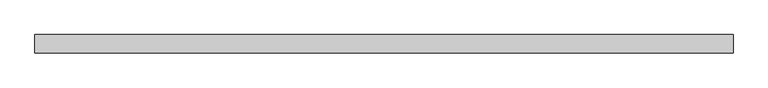
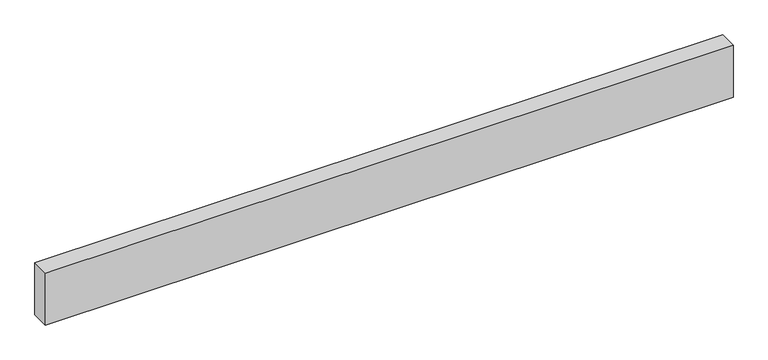
"""IFC4 building model written with IfcOpenShell, lengths in millimetres: proxy geometry."""

from ifc_helpers import new_model, si_unit, origin, origin_with_axes, place, context, project, spatial, polyline, outline, extrude, source, transform, mapped, element, save


def generic_models_d1bfbe83(model_context):
    return source(origin(), model_context, "Body", "SweptSolid", [
        extrude(outline(polyline([(3756.9821934, 0.0), (3756.9821934, -100.0), (0.0, -100.0), (0.0, 0.0), (3756.9821934, 0.0)])), origin_with_axes(), (0.0, 0.0, 1.0), 300.0),
    ])


if __name__ == "__main__":
    model = new_model("IFC4")
    model_context = context("Model", 3, world=origin())
    ifc_project = project(units=[si_unit("LENGTHUNIT", "METRE", prefix="MILLI")], contexts=[model_context])
    site = spatial("IfcSite", under=ifc_project)
    building = spatial("IfcBuilding", under=site)
    placement = place(None, origin())
    generic_models_shape = generic_models_d1bfbe83(model_context)
    element("IfcBuildingElementProxy", 1, Name="Generic Models", at=placement, inside=building, context=model_context, shape_type="MappedRepresentation", body=[
        mapped(generic_models_shape, transform((0.0, 0.0, 0.0), x_axis=(1.0, 0.0, 0.0), y_axis=(0.0, 1.0, 0.0), z_axis=(0.0, 0.0, 1.0))),
    ])
    save(model, "model.ifc")
